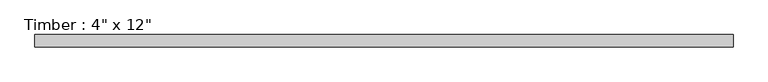
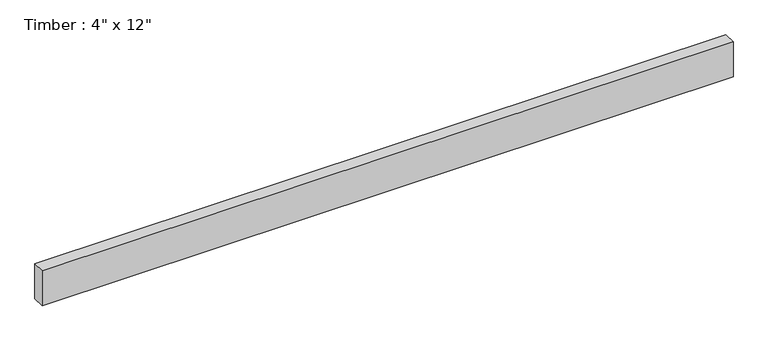
"""IFC4 building model written with IfcOpenShell, lengths in millimetres: beam geometry."""

import ifcopenshell
import ifcopenshell.guid

model = None  # the IFC model being written
_history = None  # IfcOwnerHistory: only IFC2X3 demands one
_inside = {}  # id of a spatial element -> (the spatial element, [elements in it])
_under = {}  # id of a project, library or spatial element -> (it, [spatial elements below it])
_declared = {}  # id of a project -> (the project, [libraries it declares])
_typed = {}  # id of a type object -> (the type object, [elements of that type])
_made_of = {}  # id of a material, layer set ... -> (it, [elements and type objects made of it])


def new_model(schema):
    """Start an empty IFC model of exactly this schema.

    Asked for "IFC4X3", IfcOpenShell would pick the latest addendum, in which some entities
    have other attributes; the version numbers below select the first issue.
    IFC2X3 requires an IfcOwnerHistory on every rooted entity: one is made here for all.
    """
    global model, _history
    if schema == "IFC4X3":
        model = ifcopenshell.file(schema_version=(4, 3, 0, 0))
    else:
        model = ifcopenshell.file(schema=schema)
    _inside.clear()
    _under.clear()
    _declared.clear()
    _typed.clear()
    _made_of.clear()
    _history = None
    if model.schema == "IFC2X3":
        org = make("IfcOrganization", Name="unknown")
        user = make(
            "IfcPersonAndOrganization",
            ThePerson=make("IfcPerson", FamilyName="unknown"),
            TheOrganization=org,
        )
        app = make(
            "IfcApplication",
            ApplicationDeveloper=org,
            Version="unknown",
            ApplicationFullName="unknown",
            ApplicationIdentifier="unknown",
        )
        _history = make(
            "IfcOwnerHistory",
            OwningUser=user,
            OwningApplication=app,
            ChangeAction="ADDED",
            CreationDate=0,
        )
    return model


def make(cls, **values):
    """One entity of the class cls with the attributes given. An attribute that is None is left unset."""
    return model.create_entity(
        cls, **{name: value for name, value in values.items() if value is not None}
    )


def rooted(cls, **values):
    """An entity with a GlobalId (a new one), such as an element, a storey or a relation."""
    return make(cls, GlobalId=ifcopenshell.guid.new(), OwnerHistory=_history, **values)


def si_unit(unit_type, name, prefix=None):
    """IfcSIUnit, for example si_unit("LENGTHUNIT", "METRE", prefix="MILLI")."""
    return make("IfcSIUnit", UnitType=unit_type, Prefix=prefix, Name=name)


def assignment(units):
    """IfcUnitAssignment: the units of a project."""
    return None if units is None else make("IfcUnitAssignment", Units=units)


def point(xyz):
    """IfcCartesianPoint."""
    return None if xyz is None else make("IfcCartesianPoint", Coordinates=xyz)


def direction(xyz):
    """IfcDirection."""
    return None if xyz is None else make("IfcDirection", DirectionRatios=xyz)


def frame(location, z_axis=None, x_axis=None):
    """IfcAxis2Placement3D, a coordinate frame: its origin and axes. An axis left out is left unset."""
    return make(
        "IfcAxis2Placement3D",
        Location=point(location),
        Axis=direction(z_axis),
        RefDirection=direction(x_axis),
    )


def origin():
    """The frame at (0, 0, 0) with its axes left unset."""
    return frame((0.0, 0.0, 0.0))


def place(relative_to, where):
    """IfcLocalPlacement: puts the frame where relative to a parent placement (None: the world)."""
    return make(
        "IfcLocalPlacement", PlacementRelTo=relative_to, RelativePlacement=where
    )


def context(
    kind, dimensions, precision=None, world=None, true_north=None, identifier=None
):
    """IfcGeometricRepresentationContext, for example the 3D "Model" context."""
    return make(
        "IfcGeometricRepresentationContext",
        ContextIdentifier=identifier,
        ContextType=kind,
        CoordinateSpaceDimension=dimensions,
        Precision=precision,
        WorldCoordinateSystem=world,
        TrueNorth=true_north,
    )


def project(units=None, contexts=None):
    """IfcProject with its units and contexts."""
    return rooted(
        "IfcProject",
        Name="project",
        RepresentationContexts=contexts,
        UnitsInContext=assignment(units),
    )


def spatial(cls, under=None, at=None, **own):
    """A site, building, storey or space (cls), placed at a placement, below another one or the project."""
    s = rooted(cls, ObjectPlacement=at, **own)
    if under is not None:
        _under.setdefault(under.id(), (under, []))[1].append(s)
    return s


def polyline(points):
    """IfcPolyline through the points."""
    return make("IfcPolyline", Points=[point(p) for p in points])


def outline(outer, holes=None, kind="AREA"):
    """IfcArbitraryClosedProfileDef: a profile drawn as a closed curve; with holes, ...WithVoids."""
    if holes is None:
        return make("IfcArbitraryClosedProfileDef", ProfileType=kind, OuterCurve=outer)
    return make(
        "IfcArbitraryProfileDefWithVoids",
        ProfileType=kind,
        OuterCurve=outer,
        InnerCurves=holes,
    )


def extrude(swept, where, along, depth):
    """IfcExtrudedAreaSolid: the profile swept, set in the frame where, extruded along a direction by depth."""
    return make(
        "IfcExtrudedAreaSolid",
        SweptArea=swept,
        Position=where,
        ExtrudedDirection=direction(along),
        Depth=depth,
    )


def shape(context_of_items, identifier, shape_type, items):
    """IfcShapeRepresentation: the items that make up one representation, for example the "Body"."""
    return make(
        "IfcShapeRepresentation",
        ContextOfItems=context_of_items,
        RepresentationIdentifier=identifier,
        RepresentationType=shape_type,
        Items=items,
    )


def source(mapping_origin, context_of_items, identifier, shape_type, items):
    """IfcRepresentationMap: a shape defined once, which mapped items show again and again."""
    return make(
        "IfcRepresentationMap",
        MappingOrigin=mapping_origin,
        MappedRepresentation=shape(context_of_items, identifier, shape_type, items),
    )


def transform(
    local_origin,
    x_axis=None,
    y_axis=None,
    z_axis=None,
    scale=None,
    scale2=None,
    scale3=None,
    uniform=True,
):
    """IfcCartesianTransformationOperator3D, or its non-uniform kind. x_axis, y_axis, z_axis: its Axis1, 2, 3."""
    if uniform:
        return make(
            "IfcCartesianTransformationOperator3D",
            Axis1=direction(x_axis),
            Axis2=direction(y_axis),
            LocalOrigin=point(local_origin),
            Scale=scale,
            Axis3=direction(z_axis),
        )
    return make(
        "IfcCartesianTransformationOperator3DnonUniform",
        Axis1=direction(x_axis),
        Axis2=direction(y_axis),
        LocalOrigin=point(local_origin),
        Scale=scale,
        Axis3=direction(z_axis),
        Scale2=scale2,
        Scale3=scale3,
    )


def mapped(mapping_source, mapping_target):
    """IfcMappedItem: shows the shape of a source again, moved by a transform."""
    return make(
        "IfcMappedItem", MappingSource=mapping_source, MappingTarget=mapping_target
    )


def made_of(thing, what):
    """Note that an element or type object is made of a material, layer set ...; save() writes the relation."""
    if what is not None:
        _made_of.setdefault(what.id(), (what, []))[1].append(thing)
    return thing


def element(
    cls,
    number,
    at=None,
    inside=None,
    cuts=None,
    type_object=None,
    material=None,
    context=None,
    identifier="Body",
    shape_type=None,
    held_by="IfcProductDefinitionShape",
    body=None,
    shapes=None,
    **own,
):
    """One element of the class cls, such as IfcWall. Its Tag is "e" and its number.

    at: its placement. inside: the storey or other place that contains it. cuts: it is an
    opening in that element (IfcRelVoidsElement). A single representation is given by context,
    identifier, shape_type and body (its items); several are given by shapes. held_by: the class
    of the entity that holds the representations. save() writes the other relations.
    """
    e = rooted(cls, Tag="e%d" % number, ObjectPlacement=at, **own)
    if body is not None:
        shapes = [shape(context, identifier, shape_type, body)]
    if shapes is not None:
        e.Representation = make(held_by, Representations=shapes)
    if inside is not None:
        _inside.setdefault(inside.id(), (inside, []))[1].append(e)
    if cuts is not None:
        rooted(
            "IfcRelVoidsElement", RelatingBuildingElement=cuts, RelatedOpeningElement=e
        )
    if type_object is not None:
        _typed.setdefault(type_object.id(), (type_object, []))[1].append(e)
    return made_of(e, material)


def aggregate(whole, parts):
    """IfcRelAggregates: a whole, such as a stair, and the parts it consists of."""
    return rooted("IfcRelAggregates", RelatingObject=whole, RelatedObjects=parts)


def save(model, path):
    """Write the relations noted so far, then the file.

    IfcRelAggregates (storeys below a building ...), IfcRelContainedInSpatialStructure (elements
    in a storey), IfcRelDefinesByType, IfcRelAssociatesMaterial and IfcRelDeclares: one each for
    every whole, place, type object, material and project.
    """
    for whole, parts in _under.values():
        aggregate(whole, parts)
    for where, things in _inside.values():
        rooted(
            "IfcRelContainedInSpatialStructure",
            RelatedElements=things,
            RelatingStructure=where,
        )
    for kind, things in _typed.values():
        rooted("IfcRelDefinesByType", RelatedObjects=things, RelatingType=kind)
    for what, things in _made_of.values():
        rooted("IfcRelAssociatesMaterial", RelatedObjects=things, RelatingMaterial=what)
    for by, libraries in _declared.values():
        rooted("IfcRelDeclares", RelatingContext=by, RelatedDefinitions=libraries)
    model.write(path)


def beam_c3744ebf(model_context):
    return source(origin(), model_context, "Body", "SweptSolid", [
        extrude(outline(polyline([(2855.9125, 50.8), (2855.9125, -50.8), (-2855.9125, -50.8), (-2855.9125, 50.8), (2855.9125, 50.8)])), frame((0.0, 0.0, -152.4), z_axis=(0.0, 0.0, 1.0), x_axis=(1.0, 0.0, 0.0)), (0.0, 0.0, 1.0), 304.8),
    ])


if __name__ == "__main__":
    model = new_model("IFC4")
    model_context = context("Model", 3, world=origin())
    ifc_project = project(units=[si_unit("LENGTHUNIT", "METRE", prefix="MILLI")], contexts=[model_context])
    site = spatial("IfcSite", under=ifc_project)
    building = spatial("IfcBuilding", under=site)
    placement = place(None, origin())
    beam_shape = beam_c3744ebf(model_context)
    element("IfcBeam", 1, ObjectType="Timber : 4\" x 12\"", at=placement, inside=building, context=model_context, shape_type="MappedRepresentation", body=[
        mapped(beam_shape, transform((0.0, 0.0, 0.0), x_axis=(1.0, 0.0, 0.0), y_axis=(0.0, 1.0, 0.0), z_axis=(0.0, 0.0, 1.0))),
    ])
    save(model, "model.ifc")
